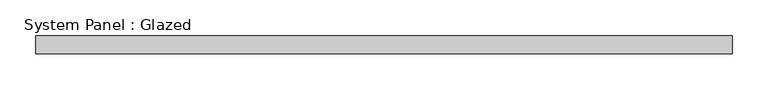
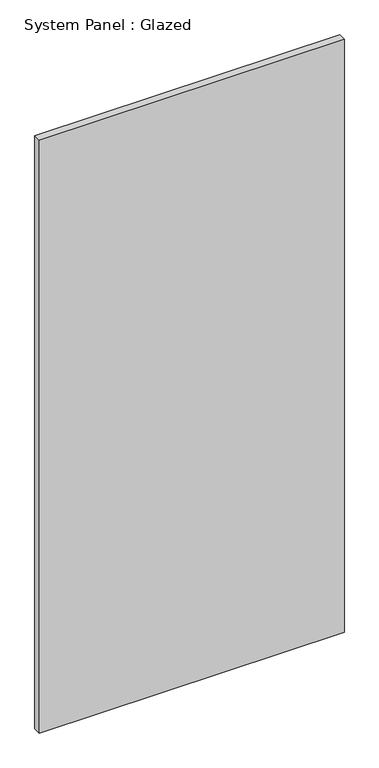
"""IFC4 building model written with IfcOpenShell, lengths in millimetres: plate geometry, System Panel : Glazed."""

from ifc_helpers import new_model, si_unit, origin, origin_with_axes, place, context, project, spatial, polyline, outline, extrude, source, transform, mapped, element, save


def system_panel_glazed_8deb44a4(model_context):
    return source(origin(), model_context, "Body", "SweptSolid", [
        extrude(outline(polyline([(486.9782883, 24.5), (-486.9782883, 24.5), (-486.9782883, 49.5), (486.9782883, 49.5), (486.9782883, 24.5)])), origin_with_axes(), (0.0, 0.0, 1.0), 2000.0),
    ])


if __name__ == "__main__":
    model = new_model("IFC4")
    model_context = context("Model", 3, world=origin())
    ifc_project = project(units=[si_unit("LENGTHUNIT", "METRE", prefix="MILLI")], contexts=[model_context])
    site = spatial("IfcSite", under=ifc_project)
    building = spatial("IfcBuilding", under=site)
    placement = place(None, origin())
    system_panel_glazed_shape = system_panel_glazed_8deb44a4(model_context)
    element("IfcPlate", 1, ObjectType="System Panel : Glazed", at=placement, inside=building, context=model_context, shape_type="MappedRepresentation", body=[
        mapped(system_panel_glazed_shape, transform((0.0, 0.0, 0.0), x_axis=(1.0, 0.0, 0.0), y_axis=(0.0, 1.0, 0.0), z_axis=(0.0, 0.0, 1.0))),
    ])
    save(model, "model.ifc")
